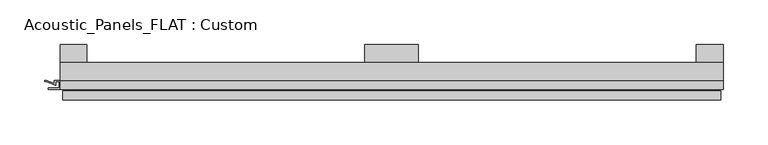
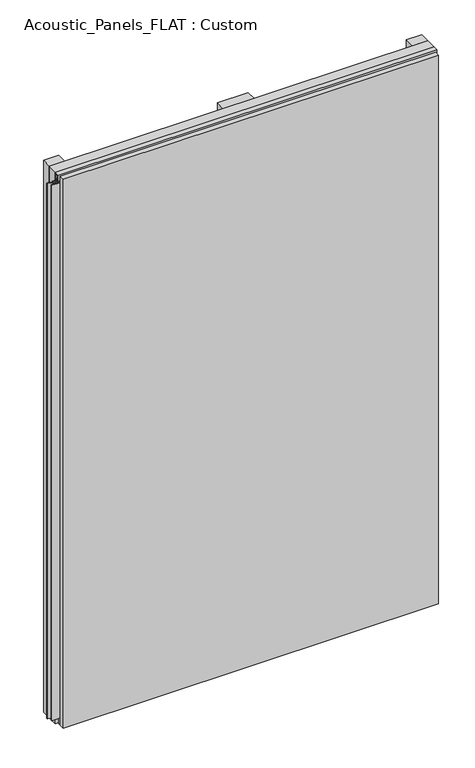
"""IFC4 building model written with IfcOpenShell, lengths in millimetres: plate geometry, Acoustic_Panels_FLAT : Custom."""

from ifc_helpers import new_model, si_unit, frame, origin, origin_with_axes, place, context, project, spatial, polyline, outline, extrude, faceted_brep, source, transform, mapped, element, save


def acoustic_panels_flat_custom_517bbe23(model_context):
    return source(origin(), model_context, "Body", "SolidModel", [
        extrude(outline(polyline([(-370.0, -40.0), (-370.0, -20.0), (370.0, -20.0), (370.0, -40.0), (-370.0, -40.0)])), frame((0.0, 0.0, 1110.0), z_axis=(0.0, 0.0, 1.0), x_axis=(1.0, 0.0, 0.0)), (0.0, 0.0, 1.0), 30.0),
        extrude(outline(polyline([(-370.0, -40.0), (-370.0, -20.0), (370.0, -20.0), (370.0, -40.0), (-370.0, -40.0)])), origin_with_axes(), (0.0, 0.0, 1.0), 30.0),
        extrude(outline(polyline([(-370.0, -40.0), (-370.0, -20.0), (370.0, -20.0), (370.0, -40.0), (-370.0, -40.0)])), frame((0.0, 0.0, 540.0), z_axis=(0.0, 0.0, 1.0), x_axis=(1.0, 0.0, 0.0)), (0.0, 0.0, 1.0), 60.0),
        extrude(outline(polyline([(340.0, 0.0), (370.0, 0.0), (370.0, -20.0), (340.0, -20.0), (340.0, 0.0)])), origin_with_axes(), (0.0, 0.0, 1.0), 1140.0),
        extrude(outline(polyline([(30.0, 0.0), (30.0, -20.0), (-30.0, -20.0), (-30.0, 0.0), (30.0, 0.0)])), origin_with_axes(), (0.0, 0.0, 1.0), 1140.0),
        extrude(outline(polyline([(-340.0, 0.0), (-340.0, -20.0), (-370.0, -20.0), (-370.0, 0.0), (-340.0, 0.0)])), origin_with_axes(), (0.0, 0.0, 1.0), 1140.0),
        extrude(outline(polyline([(-40.0, 1133.700916), (-43.5, 1133.700916), (-40.0553267, 1124.6441401), (-40.0553267, 1117.008452), (-41.4553267, 1117.008452), (-41.4553267, 1124.4296606), (-45.5140545, 1135.100916), (-41.4, 1135.100916), (-41.4, 1138.5843193), (-48.7, 1138.5843193), (-48.7, 1126.5843193), (-50.1, 1126.5843193), (-50.1, 1140.0), (-40.0, 1140.0), (-40.0, 1133.700916)])), frame((-370.0, 0.0, 0.0), z_axis=(1.0, 0.0, 0.0), x_axis=(0.0, 1.0, 0.0)), (0.0, 0.0, 1.0), 740.0),
        extrude(outline(polyline([(-370.899084, -48.7), (-370.899084, -41.4), (-374.899084, -41.4), (-374.899084, -45.5140545), (-385.5703394, -41.4553267), (-386.9558599, -41.4553267), (-386.9558599, -40.0553267), (-385.3558599, -40.0553267), (-376.299084, -43.5), (-376.299084, -40.0), (-363.700916, -40.0), (-363.700916, -43.5), (-354.6441401, -40.0553267), (-353.0441401, -40.0553267), (-353.0441401, -41.4553267), (-354.4296606, -41.4553267), (-365.100916, -45.5140545), (-365.100916, -41.4), (-369.100916, -41.4), (-369.100916, -48.7), (-357.100916, -48.7), (-357.100916, -50.1), (-382.899084, -50.1), (-382.899084, -48.7), (-370.899084, -48.7)])), frame((0.0, 0.0, 16.9558599), z_axis=(0.0, 0.0, 1.0), x_axis=(1.0, 0.0, 0.0)), (0.0, 0.0, 1.0), 1106.0882802),
        faceted_brep([(367.0, -45.9, 1137.0), (-367.0, -45.9, 1137.0), (-367.0, -48.7, 1137.0), (367.0, -48.7, 1137.0), (-367.0, -61.9, 1137.0), (367.0, -61.9, 1137.0), (367.0, -51.9, 1137.0), (-367.0, -51.9, 1137.0), (-367.0, -45.9, 3.0), (367.0, -45.9, 3.0), (367.0, -48.7, 3.0), (-367.0, -48.7, 3.0), (367.0, -61.9, 3.0), (-367.0, -61.9, 3.0), (-367.0, -51.9, 3.0), (367.0, -51.9, 3.0), (355.0, -51.9, 1125.0), (355.0, -51.9, 15.0), (355.0, -48.7, 15.0), (355.0, -48.7, 1125.0), (-355.0, -51.9, 15.0), (-355.0, -48.7, 15.0), (-355.0, -51.9, 1125.0), (-355.0, -48.7, 1125.0)], [[[0, 1, 2, 3]], [[4, 5, 6, 7]], [[8, 9, 10, 11]], [[12, 13, 14, 15]], [[1, 0, 9, 8]], [[1, 8, 11, 2]], [[13, 4, 7, 14]], [[5, 4, 13, 12]], [[9, 0, 3, 10]], [[5, 12, 15, 6]], [[16, 17, 18, 19]], [[18, 17, 20, 21]], [[21, 20, 22, 23]], [[16, 19, 23, 22]], [[7, 6, 15, 14], [17, 16, 22, 20]], [[3, 2, 11, 10], [19, 18, 21, 23]]]),
    ])


if __name__ == "__main__":
    model = new_model("IFC4")
    model_context = context("Model", 3, world=origin())
    ifc_project = project(units=[si_unit("LENGTHUNIT", "METRE", prefix="MILLI")], contexts=[model_context])
    site = spatial("IfcSite", under=ifc_project)
    building = spatial("IfcBuilding", under=site)
    placement = place(None, origin())
    acoustic_panels_flat_custom_shape = acoustic_panels_flat_custom_517bbe23(model_context)
    element("IfcPlate", 1, ObjectType="Acoustic_Panels_FLAT : Custom", at=placement, inside=building, context=model_context, shape_type="MappedRepresentation", body=[
        mapped(acoustic_panels_flat_custom_shape, transform((0.0, 0.0, 0.0), x_axis=(1.0, 0.0, 0.0), y_axis=(0.0, 1.0, 0.0), z_axis=(0.0, 0.0, 1.0))),
    ])
    save(model, "model.ifc")
